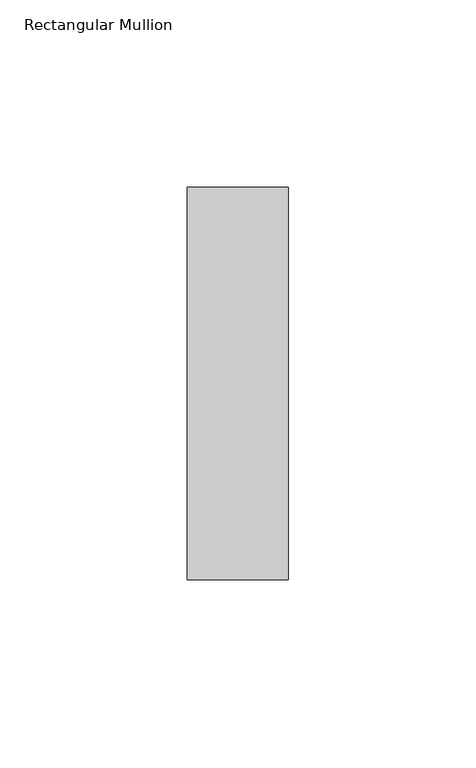
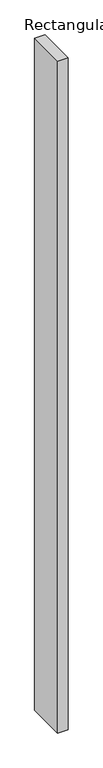
"""IFC4 building model written with IfcOpenShell, lengths in millimetres: member geometry, Rectangular Mullion."""

from ifc_helpers import new_model, si_unit, frame, origin, place, context, project, spatial, polyline, outline, extrude, source, transform, mapped, element, save


def rectangular_mullion_0bcf19e5(model_context):
    return source(origin(), model_context, "Body", "SweptSolid", [
        extrude(outline(polyline([(-27.0, 52.3975), (0.0, 52.3975), (0.0, -52.3975), (-27.0, -52.3975), (-27.0, 52.3975)])), frame((0.0, 0.0, -1870.0839206), z_axis=(0.0, 0.0, 1.0), x_axis=(1.0, 0.0, 0.0)), (0.0, 0.0, 1.0), 1870.0839206),
    ])


if __name__ == "__main__":
    model = new_model("IFC4")
    model_context = context("Model", 3, world=origin())
    ifc_project = project(units=[si_unit("LENGTHUNIT", "METRE", prefix="MILLI")], contexts=[model_context])
    site = spatial("IfcSite", under=ifc_project)
    building = spatial("IfcBuilding", under=site)
    placement = place(None, origin())
    rectangular_mullion_shape = rectangular_mullion_0bcf19e5(model_context)
    element("IfcMember", 1, ObjectType="Rectangular Mullion", at=placement, inside=building, context=model_context, shape_type="MappedRepresentation", body=[
        mapped(rectangular_mullion_shape, transform((0.0, 0.0, 0.0), x_axis=(1.0, 0.0, 0.0), y_axis=(0.0, 1.0, 0.0), z_axis=(0.0, 0.0, 1.0))),
    ])
    save(model, "model.ifc")
